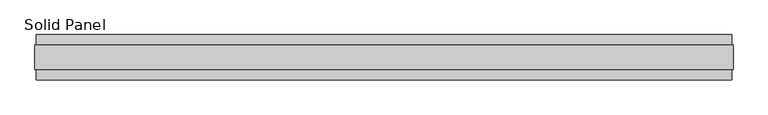
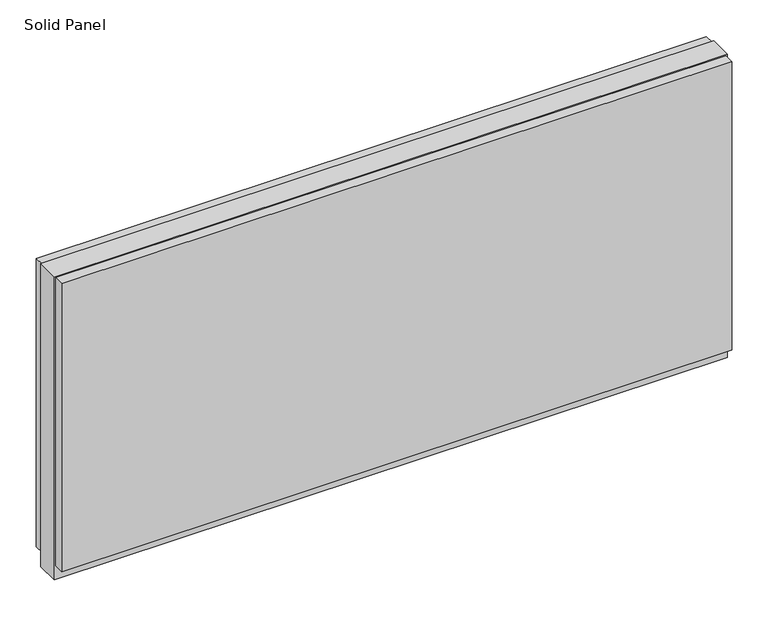
"""IFC4 building model written with IfcOpenShell, lengths in millimetres: plate geometry, Solid Panel."""

from ifc_helpers import new_model, si_unit, frame, origin, origin_with_axes, place, context, project, spatial, polyline, outline, extrude, source, transform, mapped, element, save


def solid_panel_41ca1128(model_context):
    return source(origin(), model_context, "Body", "SweptSolid", [
        extrude(outline(polyline([(742.8515177, -48.4531867), (-742.8515177, -48.4531867), (-742.8515177, -25.9961), (742.8515177, -25.9961), (742.8515177, -48.4531867)])), frame((0.0, 0.0, 32.004), z_axis=(0.0, 0.0, 1.0), x_axis=(1.0, 0.0, 0.0)), (0.0, 0.0, 1.0), 676.1861),
        extrude(outline(polyline([(742.8515177, 25.9977), (-742.8515177, 25.9977), (-742.8515177, 48.4547867), (742.8515177, 48.4547867), (742.8515177, 25.9977)])), frame((0.0, 0.0, 32.004), z_axis=(0.0, 0.0, 1.0), x_axis=(1.0, 0.0, 0.0)), (0.0, 0.0, 1.0), 676.1861),
        extrude(outline(polyline([(745.8487177, -25.9961), (-745.8487177, -25.9961), (-745.8487177, 25.9977), (745.8487177, 25.9977), (745.8487177, -25.9961)])), origin_with_axes(), (0.0, 0.0, 1.0), 711.2),
    ])


if __name__ == "__main__":
    model = new_model("IFC4")
    model_context = context("Model", 3, world=origin())
    ifc_project = project(units=[si_unit("LENGTHUNIT", "METRE", prefix="MILLI")], contexts=[model_context])
    site = spatial("IfcSite", under=ifc_project)
    building = spatial("IfcBuilding", under=site)
    placement = place(None, origin())
    solid_panel_shape = solid_panel_41ca1128(model_context)
    element("IfcPlate", 1, ObjectType="Solid Panel", at=placement, inside=building, context=model_context, shape_type="MappedRepresentation", body=[
        mapped(solid_panel_shape, transform((0.0, 0.0, 0.0), x_axis=(1.0, 0.0, 0.0), y_axis=(0.0, 1.0, 0.0), z_axis=(0.0, 0.0, 1.0))),
    ])
    save(model, "model.ifc")
